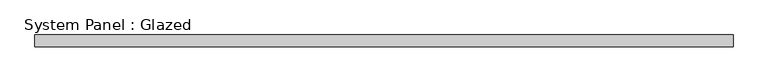
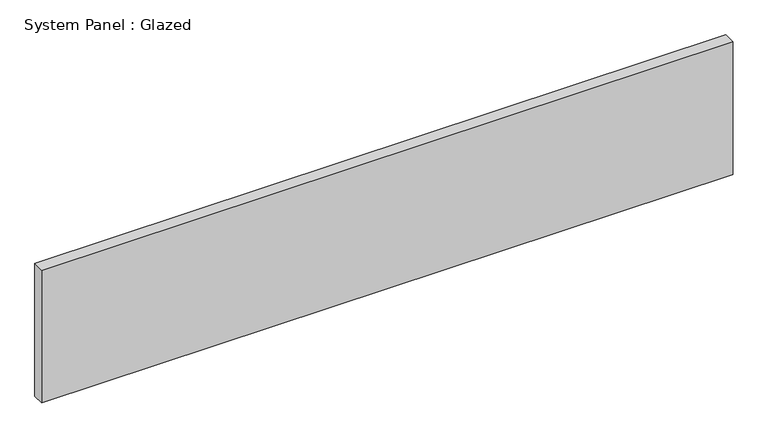
"""IFC4 building model written with IfcOpenShell, lengths in millimetres: plate geometry, System Panel : Glazed."""

from ifc_helpers import new_model, si_unit, origin, origin_with_axes, place, context, project, spatial, polyline, outline, extrude, source, transform, mapped, element, save


def system_panel_glazed_a4027662(model_context):
    return source(origin(), model_context, "Body", "SweptSolid", [
        extrude(outline(polyline([(743.319283, 24.5), (-743.319283, 24.5), (-743.319283, 49.5), (743.319283, 49.5), (743.319283, 24.5)])), origin_with_axes(), (0.0, 0.0, 1.0), 302.1504642),
    ])


if __name__ == "__main__":
    model = new_model("IFC4")
    model_context = context("Model", 3, world=origin())
    ifc_project = project(units=[si_unit("LENGTHUNIT", "METRE", prefix="MILLI")], contexts=[model_context])
    site = spatial("IfcSite", under=ifc_project)
    building = spatial("IfcBuilding", under=site)
    placement = place(None, origin())
    system_panel_glazed_shape = system_panel_glazed_a4027662(model_context)
    element("IfcPlate", 1, ObjectType="System Panel : Glazed", at=placement, inside=building, context=model_context, shape_type="MappedRepresentation", body=[
        mapped(system_panel_glazed_shape, transform((0.0, 0.0, 0.0), x_axis=(1.0, 0.0, 0.0), y_axis=(0.0, 1.0, 0.0), z_axis=(0.0, 0.0, 1.0))),
    ])
    save(model, "model.ifc")
